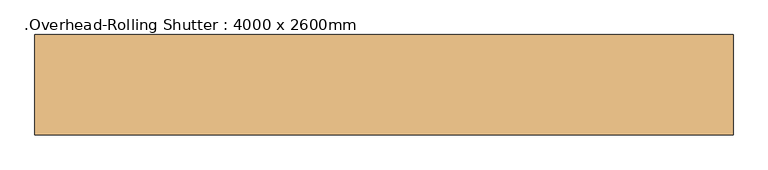
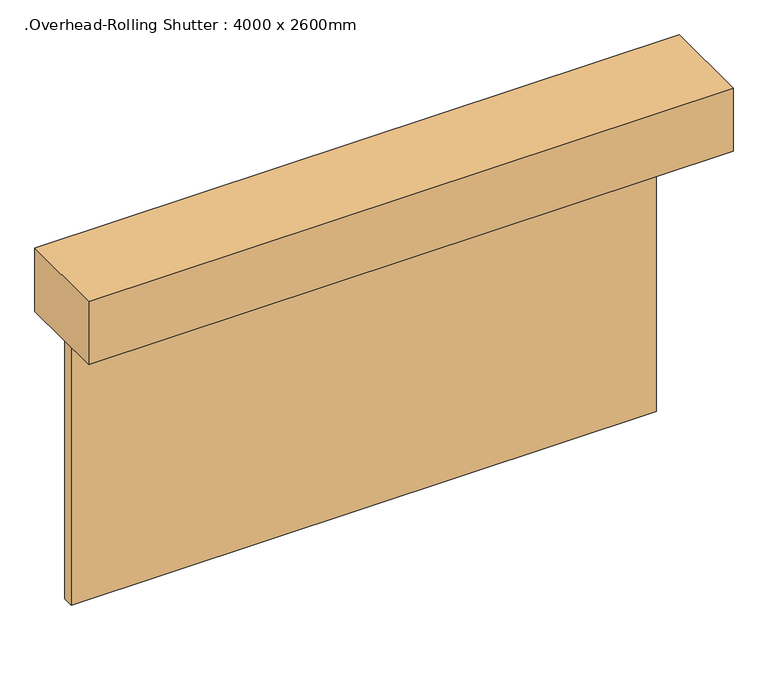
"""IFC4 building model written with IfcOpenShell, lengths in millimetres: door geometry, .Overhead-Rolling Shutter : 4000 x 2600mm."""

from ifc_helpers import new_model, si_unit, frame, origin, origin_with_axes, place, context, project, spatial, polyline, outline, extrude, source, transform, mapped, element, save


def overhead_rolling_shutter_4000_x_2600mm_38eb8843(model_context):
    return source(origin(), model_context, "Body", "SweptSolid", [
        extrude(outline(polyline([(2000.0, -92.0), (2000.0, -168.0), (-2000.0, -168.0), (-2000.0, -92.0), (2000.0, -92.0)])), origin_with_axes(), (0.0, 0.0, 1.0), 2150.0),
        extrude(outline(polyline([(2203.2, -726.8), (-2203.2, -726.8), (-2203.2, -92.0), (2203.2, -92.0), (2203.2, -726.8)])), frame((0.0, 0.0, 2150.0), z_axis=(0.0, 0.0, 1.0), x_axis=(1.0, 0.0, 0.0)), (0.0, 0.0, 1.0), 457.2),
    ])


if __name__ == "__main__":
    model = new_model("IFC4")
    model_context = context("Model", 3, world=origin())
    ifc_project = project(units=[si_unit("LENGTHUNIT", "METRE", prefix="MILLI")], contexts=[model_context])
    site = spatial("IfcSite", under=ifc_project)
    building = spatial("IfcBuilding", under=site)
    placement = place(None, origin())
    overhead_rolling_shutter_4000_x_2600mm_shape = overhead_rolling_shutter_4000_x_2600mm_38eb8843(model_context)
    element("IfcDoor", 1, ObjectType=".Overhead-Rolling Shutter : 4000 x 2600mm", at=placement, inside=building, context=model_context, shape_type="MappedRepresentation", body=[
        mapped(overhead_rolling_shutter_4000_x_2600mm_shape, transform((0.0, 0.0, 0.0), x_axis=(1.0, 0.0, 0.0), y_axis=(0.0, 1.0, 0.0), z_axis=(0.0, 0.0, 1.0))),
    ])
    save(model, "model.ifc")
